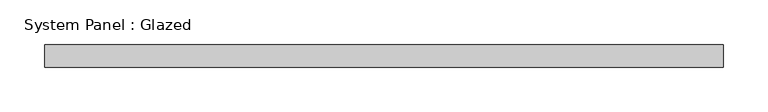
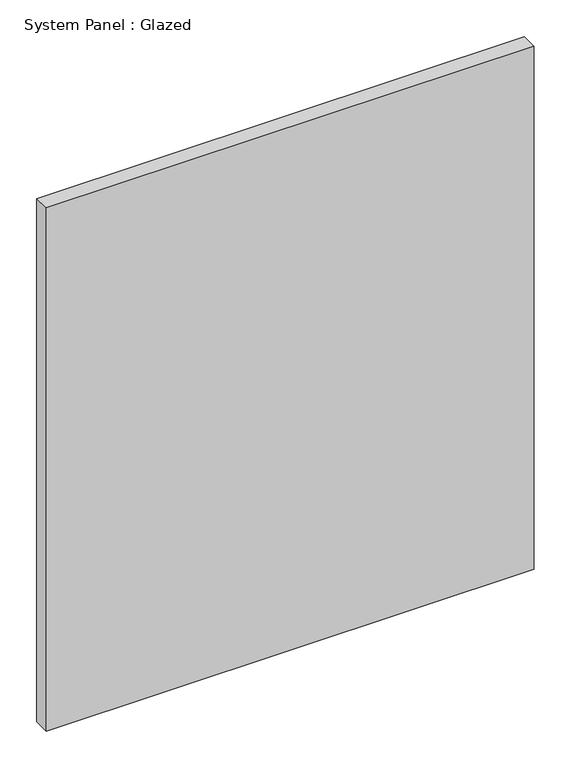
"""IFC4 building model written with IfcOpenShell, lengths in millimetres: plate geometry, System Panel : Glazed."""

from ifc_helpers import new_model, si_unit, origin, origin_with_axes, place, context, project, spatial, polyline, outline, extrude, source, transform, mapped, element, save


def system_panel_glazed_db2a41ee(model_context):
    return source(origin(), model_context, "Body", "SweptSolid", [
        extrude(outline(polyline([(381.0, -12.7), (-381.0, -12.7), (-381.0, 12.7), (381.0, 12.7), (381.0, -12.7)])), origin_with_axes(), (0.0, 0.0, 1.0), 863.6),
    ])


if __name__ == "__main__":
    model = new_model("IFC4")
    model_context = context("Model", 3, world=origin())
    ifc_project = project(units=[si_unit("LENGTHUNIT", "METRE", prefix="MILLI")], contexts=[model_context])
    site = spatial("IfcSite", under=ifc_project)
    building = spatial("IfcBuilding", under=site)
    placement = place(None, origin())
    system_panel_glazed_shape = system_panel_glazed_db2a41ee(model_context)
    element("IfcPlate", 1, ObjectType="System Panel : Glazed", at=placement, inside=building, context=model_context, shape_type="MappedRepresentation", body=[
        mapped(system_panel_glazed_shape, transform((0.0, 0.0, 0.0), x_axis=(1.0, 0.0, 0.0), y_axis=(0.0, 1.0, 0.0), z_axis=(0.0, 0.0, 1.0))),
    ])
    save(model, "model.ifc")
